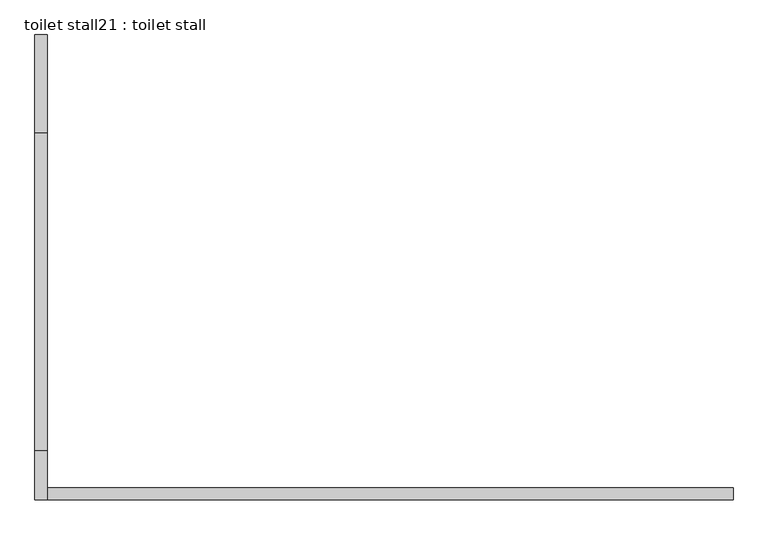
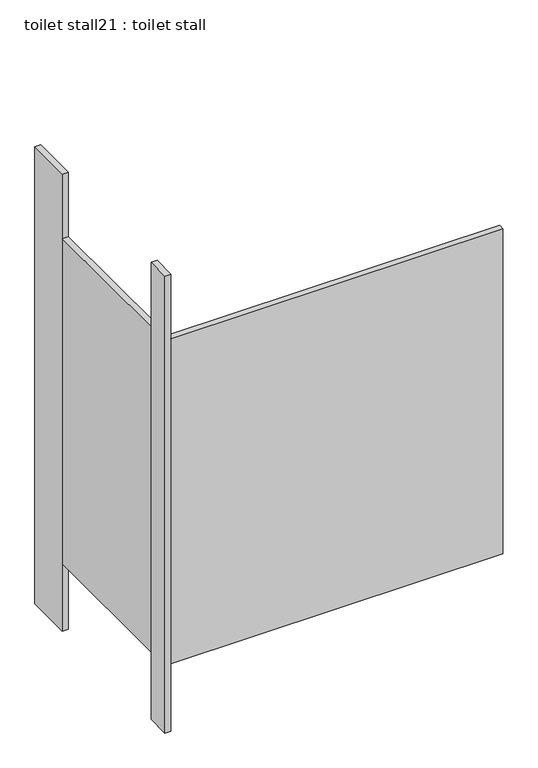
"""IFC4 building model written with IfcOpenShell, lengths in millimetres: proxy geometry, toilet stall21 : toilet stall."""

from ifc_helpers import new_model, si_unit, frame, origin, origin_with_axes, place, context, project, spatial, polyline, outline, extrude, source, transform, mapped, element, save


def toilet_stall21_toilet_stall_22f17f04(model_context):
    return source(origin(), model_context, "Body", "SweptSolid", [
        extrude(outline(polyline([(454658.2004676, -330364.3205223), (454632.8004676, -330364.3205223), (454632.8004676, -330161.1205223), (454658.2004676, -330161.1205223), (454658.2004676, -330364.3205223)])), origin_with_axes(), (0.0, 0.0, 1.0), 2070.1),
        extrude(outline(polyline([(454658.2004676, -331126.3205223), (454632.8004676, -331126.3205223), (454632.8004676, -331024.7205223), (454658.2004676, -331024.7205223), (454658.2004676, -331126.3205223)])), origin_with_axes(), (0.0, 0.0, 1.0), 2070.1),
        extrude(outline(polyline([(454658.2004676, -331126.3205223), (454658.2004676, -331100.9205223), (456080.6004676, -331100.9205223), (456080.6004676, -331126.3205223), (454658.2004676, -331126.3205223)])), frame((0.0, 0.0, 304.8), z_axis=(0.0, 0.0, 1.0), x_axis=(1.0, 0.0, 0.0)), (0.0, 0.0, 1.0), 1473.2),
        extrude(outline(polyline([(454658.2004676, -331024.7205223), (454632.8004676, -331024.7205223), (454632.8004676, -330364.3205223), (454658.2004676, -330364.3205223), (454658.2004676, -331024.7205223)])), frame((0.0, 0.0, 304.8), z_axis=(0.0, 0.0, 1.0), x_axis=(1.0, 0.0, 0.0)), (0.0, 0.0, 1.0), 1473.2),
    ])


if __name__ == "__main__":
    model = new_model("IFC4")
    model_context = context("Model", 3, world=origin())
    ifc_project = project(units=[si_unit("LENGTHUNIT", "METRE", prefix="MILLI")], contexts=[model_context])
    site = spatial("IfcSite", under=ifc_project)
    building = spatial("IfcBuilding", under=site)
    placement = place(None, origin())
    toilet_stall21_toilet_stall_shape = toilet_stall21_toilet_stall_22f17f04(model_context)
    element("IfcBuildingElementProxy", 1, Name="toilet stall21 : toilet stall", ObjectType="toilet stall21 : toilet stall", at=placement, inside=building, context=model_context, shape_type="MappedRepresentation", body=[
        mapped(toilet_stall21_toilet_stall_shape, transform((0.0, 0.0, 0.0), x_axis=(1.0, 0.0, 0.0), y_axis=(0.0, 1.0, 0.0), z_axis=(0.0, 0.0, 1.0))),
    ])
    save(model, "model.ifc")
